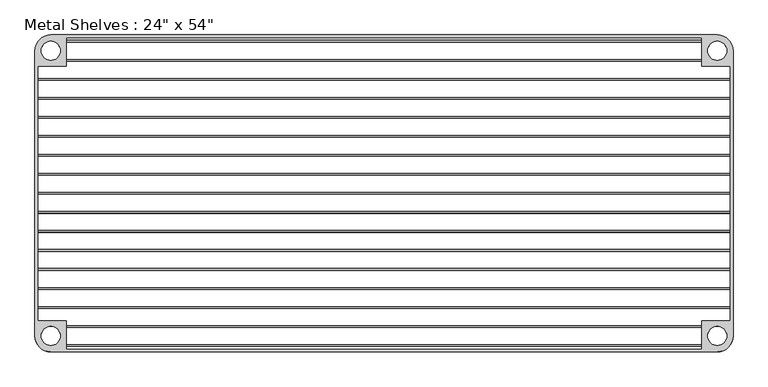
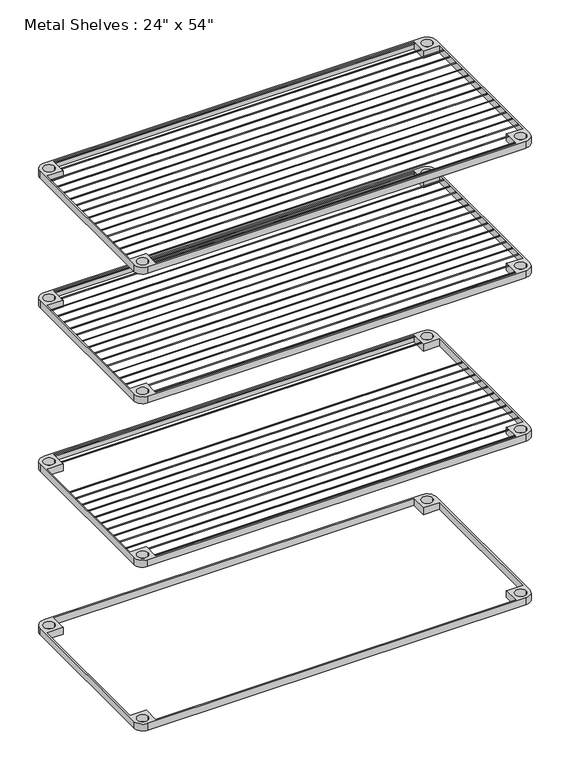
"""IFC4 building model written with IfcOpenShell, lengths in millimetres: proxy geometry."""

from ifc_helpers import new_model, si_unit, point, frame, frame_2d, origin, place, context, project, spatial, polyline, circle_curve, trimmed, segment, composite_curve, outline, extrude, source, transform, mapped, element, save


def proxy_7f03842f(model_context):
    return source(origin(), model_context, "Body", "SweptSolid", [
        extrude(outline(composite_curve([segment(trimmed(circle_curve(frame_2d((666.75, -285.75)), 31.75), [point((698.5, -285.75))], [point((666.75, -317.5))], False, "CARTESIAN"), True, "CONTINUOUS"), segment(polyline([(666.75, -317.5), (-666.75, -317.5)]), True, "CONTINUOUS"), segment(trimmed(circle_curve(frame_2d((-666.75, -285.75)), 31.75), [point((-666.75, -317.5))], [point((-698.5, -285.75))], False, "CARTESIAN"), True, "CONTINUOUS"), segment(polyline([(-698.5, -285.75), (-698.5, 285.75)]), True, "CONTINUOUS"), segment(trimmed(circle_curve(frame_2d((-666.75, 285.75)), 31.75), [point((-698.5, 285.75))], [point((-666.75, 317.5))], False, "CARTESIAN"), True, "CONTINUOUS"), segment(polyline([(-666.75, 317.5), (666.75, 317.5)]), True, "CONTINUOUS"), segment(trimmed(circle_curve(frame_2d((666.75, 285.75)), 31.75), [point((666.75, 317.5))], [point((698.5, 285.75))], False, "CARTESIAN"), True, "CONTINUOUS"), segment(polyline([(698.5, 285.75), (698.5, -285.75)]), True, "CONTINUOUS")], self_intersect=False), holes=[polyline([(-635.0, -311.15), (635.0, -311.15), (635.0, -254.0), (692.15, -254.0), (692.15, 254.0), (635.0, 254.0), (635.0, 311.15), (-635.0, 311.15), (-635.0, 254.0), (-692.15, 254.0), (-692.15, -254.0), (-635.0, -254.0), (-635.0, -311.15)]), composite_curve([segment(trimmed(circle_curve(frame_2d((666.75, -285.75)), 19.05), [point((647.7, -285.75))], [point((685.8, -285.75))], True, "CARTESIAN"), True, "CONTINUOUS"), segment(trimmed(circle_curve(frame_2d((666.75, -285.75)), 19.05), [point((685.8, -285.75))], [point((647.7, -285.75))], True, "CARTESIAN"), True, "CONTINUOUS")], self_intersect=False), composite_curve([segment(trimmed(circle_curve(frame_2d((666.75, 285.75)), 19.05), [point((647.7, 285.75))], [point((685.8, 285.75))], True, "CARTESIAN"), True, "CONTINUOUS"), segment(trimmed(circle_curve(frame_2d((666.75, 285.75)), 19.05), [point((685.8, 285.75))], [point((647.7, 285.75))], True, "CARTESIAN"), True, "CONTINUOUS")], self_intersect=False), composite_curve([segment(trimmed(circle_curve(frame_2d((-666.75, 285.75)), 19.05), [point((-647.7, 285.75))], [point((-685.8, 285.75))], True, "CARTESIAN"), True, "CONTINUOUS"), segment(trimmed(circle_curve(frame_2d((-666.75, 285.75)), 19.05), [point((-685.8, 285.75))], [point((-647.7, 285.75))], True, "CARTESIAN"), True, "CONTINUOUS")], self_intersect=False), composite_curve([segment(trimmed(circle_curve(frame_2d((-666.75, -285.75)), 19.05), [point((-647.7, -285.75))], [point((-685.8, -285.75))], True, "CARTESIAN"), True, "CONTINUOUS"), segment(trimmed(circle_curve(frame_2d((-666.75, -285.75)), 19.05), [point((-685.8, -285.75))], [point((-647.7, -285.75))], True, "CARTESIAN"), True, "CONTINUOUS")], self_intersect=False)]), frame((0.0, 0.0, 660.4), z_axis=(0.0, 0.0, 1.0), x_axis=(1.0, 0.0, 0.0)), (0.0, 0.0, 1.0), 25.4),
        extrude(outline(composite_curve([segment(trimmed(circle_curve(frame_2d((-666.75, -285.75)), 31.75), [point((-666.75, -317.5))], [point((-698.5, -285.75))], False, "CARTESIAN"), True, "CONTINUOUS"), segment(polyline([(-698.5, -285.75), (-698.5, 285.75)]), True, "CONTINUOUS"), segment(trimmed(circle_curve(frame_2d((-666.75, 285.75)), 31.75), [point((-698.5, 285.75))], [point((-666.75, 317.5))], False, "CARTESIAN"), True, "CONTINUOUS"), segment(polyline([(-666.75, 317.5), (666.75, 317.5)]), True, "CONTINUOUS"), segment(trimmed(circle_curve(frame_2d((666.75, 285.75)), 31.75), [point((666.75, 317.5))], [point((698.5, 285.75))], False, "CARTESIAN"), True, "CONTINUOUS"), segment(polyline([(698.5, 285.75), (698.5, -285.75)]), True, "CONTINUOUS"), segment(trimmed(circle_curve(frame_2d((666.75, -285.75)), 31.75), [point((698.5, -285.75))], [point((666.75, -317.5))], False, "CARTESIAN"), True, "CONTINUOUS"), segment(polyline([(666.75, -317.5), (-666.75, -317.5)]), True, "CONTINUOUS")], self_intersect=False), holes=[composite_curve([segment(trimmed(circle_curve(frame_2d((-666.75, -285.75)), 19.05), [point((-647.7, -285.75))], [point((-685.8, -285.75))], True, "CARTESIAN"), True, "CONTINUOUS"), segment(trimmed(circle_curve(frame_2d((-666.75, -285.75)), 19.05), [point((-685.8, -285.75))], [point((-647.7, -285.75))], True, "CARTESIAN"), True, "CONTINUOUS")], self_intersect=False), composite_curve([segment(trimmed(circle_curve(frame_2d((-666.75, 285.75)), 19.05), [point((-647.7, 285.75))], [point((-685.8, 285.75))], True, "CARTESIAN"), True, "CONTINUOUS"), segment(trimmed(circle_curve(frame_2d((-666.75, 285.75)), 19.05), [point((-685.8, 285.75))], [point((-647.7, 285.75))], True, "CARTESIAN"), True, "CONTINUOUS")], self_intersect=False), composite_curve([segment(trimmed(circle_curve(frame_2d((666.75, -285.75)), 19.05), [point((647.7, -285.75))], [point((685.8, -285.75))], True, "CARTESIAN"), True, "CONTINUOUS"), segment(trimmed(circle_curve(frame_2d((666.75, -285.75)), 19.05), [point((685.8, -285.75))], [point((647.7, -285.75))], True, "CARTESIAN"), True, "CONTINUOUS")], self_intersect=False), composite_curve([segment(trimmed(circle_curve(frame_2d((666.75, 285.75)), 19.05), [point((647.7, 285.75))], [point((685.8, 285.75))], True, "CARTESIAN"), True, "CONTINUOUS"), segment(trimmed(circle_curve(frame_2d((666.75, 285.75)), 19.05), [point((685.8, 285.75))], [point((647.7, 285.75))], True, "CARTESIAN"), True, "CONTINUOUS")], self_intersect=False), polyline([(-635.0, -311.15), (635.0, -311.15), (635.0, -254.0), (692.15, -254.0), (692.15, 254.0), (635.0, 254.0), (635.0, 311.15), (-635.0, 311.15), (-635.0, 254.0), (-692.15, 254.0), (-692.15, -254.0), (-635.0, -254.0), (-635.0, -311.15)])]), frame((0.0, 0.0, 50.8), z_axis=(0.0, 0.0, 1.0), x_axis=(1.0, 0.0, 0.0)), (0.0, 0.0, 1.0), 25.4),
        extrude(outline(composite_curve([segment(trimmed(circle_curve(frame_2d((-666.75, 285.75)), 31.75), [point((-698.5, 285.75))], [point((-666.75, 317.5))], False, "CARTESIAN"), True, "CONTINUOUS"), segment(polyline([(-666.75, 317.5), (666.75, 317.5)]), True, "CONTINUOUS"), segment(trimmed(circle_curve(frame_2d((666.75, 285.75)), 31.75), [point((666.75, 317.5))], [point((698.5, 285.75))], False, "CARTESIAN"), True, "CONTINUOUS"), segment(polyline([(698.5, 285.75), (698.5, -285.75)]), True, "CONTINUOUS"), segment(trimmed(circle_curve(frame_2d((666.75, -285.75)), 31.75), [point((698.5, -285.75))], [point((666.75, -317.5))], False, "CARTESIAN"), True, "CONTINUOUS"), segment(polyline([(666.75, -317.5), (-666.75, -317.5)]), True, "CONTINUOUS"), segment(trimmed(circle_curve(frame_2d((-666.75, -285.75)), 31.75), [point((-666.75, -317.5))], [point((-698.5, -285.75))], False, "CARTESIAN"), True, "CONTINUOUS"), segment(polyline([(-698.5, -285.75), (-698.5, 285.75)]), True, "CONTINUOUS")], self_intersect=False), holes=[composite_curve([segment(trimmed(circle_curve(frame_2d((-666.75, 285.75)), 19.05), [point((-647.7, 285.75))], [point((-685.8, 285.75))], True, "CARTESIAN"), True, "CONTINUOUS"), segment(trimmed(circle_curve(frame_2d((-666.75, 285.75)), 19.05), [point((-685.8, 285.75))], [point((-647.7, 285.75))], True, "CARTESIAN"), True, "CONTINUOUS")], self_intersect=False), composite_curve([segment(trimmed(circle_curve(frame_2d((-666.75, -285.75)), 19.05), [point((-647.7, -285.75))], [point((-685.8, -285.75))], True, "CARTESIAN"), True, "CONTINUOUS"), segment(trimmed(circle_curve(frame_2d((-666.75, -285.75)), 19.05), [point((-685.8, -285.75))], [point((-647.7, -285.75))], True, "CARTESIAN"), True, "CONTINUOUS")], self_intersect=False), composite_curve([segment(trimmed(circle_curve(frame_2d((666.75, -285.75)), 19.05), [point((647.7, -285.75))], [point((685.8, -285.75))], True, "CARTESIAN"), True, "CONTINUOUS"), segment(trimmed(circle_curve(frame_2d((666.75, -285.75)), 19.05), [point((685.8, -285.75))], [point((647.7, -285.75))], True, "CARTESIAN"), True, "CONTINUOUS")], self_intersect=False), polyline([(-635.0, -311.15), (635.0, -311.15), (635.0, -254.0), (692.15, -254.0), (692.15, 254.0), (635.0, 254.0), (635.0, 311.15), (-635.0, 311.15), (-635.0, 254.0), (-692.15, 254.0), (-692.15, -254.0), (-635.0, -254.0), (-635.0, -311.15)]), composite_curve([segment(trimmed(circle_curve(frame_2d((666.75, 285.75)), 19.05), [point((647.7, 285.75))], [point((685.8, 285.75))], True, "CARTESIAN"), True, "CONTINUOUS"), segment(trimmed(circle_curve(frame_2d((666.75, 285.75)), 19.05), [point((685.8, 285.75))], [point((647.7, 285.75))], True, "CARTESIAN"), True, "CONTINUOUS")], self_intersect=False)]), frame((0.0, 0.0, 1270.0), z_axis=(0.0, 0.0, 1.0), x_axis=(1.0, 0.0, 0.0)), (0.0, 0.0, 1.0), 25.4),
        extrude(outline(composite_curve([segment(trimmed(circle_curve(frame_2d((-666.75, -285.75)), 31.75), [point((-666.75, -317.5))], [point((-698.5, -285.75))], False, "CARTESIAN"), True, "CONTINUOUS"), segment(polyline([(-698.5, -285.75), (-698.5, 285.75)]), True, "CONTINUOUS"), segment(trimmed(circle_curve(frame_2d((-666.75, 285.75)), 31.75), [point((-698.5, 285.75))], [point((-666.75, 317.5))], False, "CARTESIAN"), True, "CONTINUOUS"), segment(polyline([(-666.75, 317.5), (666.75, 317.5)]), True, "CONTINUOUS"), segment(trimmed(circle_curve(frame_2d((666.75, 285.75)), 31.75), [point((666.75, 317.5))], [point((698.5, 285.75))], False, "CARTESIAN"), True, "CONTINUOUS"), segment(polyline([(698.5, 285.75), (698.5, -285.75)]), True, "CONTINUOUS"), segment(trimmed(circle_curve(frame_2d((666.75, -285.75)), 31.75), [point((698.5, -285.75))], [point((666.75, -317.5))], False, "CARTESIAN"), True, "CONTINUOUS"), segment(polyline([(666.75, -317.5), (-666.75, -317.5)]), True, "CONTINUOUS")], self_intersect=False), holes=[composite_curve([segment(trimmed(circle_curve(frame_2d((666.75, 285.75)), 19.05), [point((647.7, 285.75))], [point((685.8, 285.75))], True, "CARTESIAN"), True, "CONTINUOUS"), segment(trimmed(circle_curve(frame_2d((666.75, 285.75)), 19.05), [point((685.8, 285.75))], [point((647.7, 285.75))], True, "CARTESIAN"), True, "CONTINUOUS")], self_intersect=False), composite_curve([segment(trimmed(circle_curve(frame_2d((666.75, -285.75)), 19.05), [point((647.7, -285.75))], [point((685.8, -285.75))], True, "CARTESIAN"), True, "CONTINUOUS"), segment(trimmed(circle_curve(frame_2d((666.75, -285.75)), 19.05), [point((685.8, -285.75))], [point((647.7, -285.75))], True, "CARTESIAN"), True, "CONTINUOUS")], self_intersect=False), composite_curve([segment(trimmed(circle_curve(frame_2d((-666.75, 285.75)), 19.05), [point((-647.7, 285.75))], [point((-685.8, 285.75))], True, "CARTESIAN"), True, "CONTINUOUS"), segment(trimmed(circle_curve(frame_2d((-666.75, 285.75)), 19.05), [point((-685.8, 285.75))], [point((-647.7, 285.75))], True, "CARTESIAN"), True, "CONTINUOUS")], self_intersect=False), polyline([(692.15, -254.0), (692.15, 254.0), (635.0, 254.0), (635.0, 311.15), (-635.0, 311.15), (-635.0, 254.0), (-692.15, 254.0), (-692.15, -254.0), (-635.0, -254.0), (-635.0, -311.15), (635.0, -311.15), (635.0, -254.0), (692.15, -254.0)]), composite_curve([segment(trimmed(circle_curve(frame_2d((-666.75, -285.75)), 19.05), [point((-647.7, -285.75))], [point((-685.8, -285.75))], True, "CARTESIAN"), True, "CONTINUOUS"), segment(trimmed(circle_curve(frame_2d((-666.75, -285.75)), 19.05), [point((-685.8, -285.75))], [point((-647.7, -285.75))], True, "CARTESIAN"), True, "CONTINUOUS")], self_intersect=False)]), frame((0.0, 0.0, 1752.6), z_axis=(0.0, 0.0, 1.0), x_axis=(1.0, 0.0, 0.0)), (0.0, 0.0, 1.0), 25.4),
        extrude(outline(composite_curve([segment(trimmed(circle_curve(frame_2d((304.8, 1776.4125)), 1.5875), [point((303.2125, 1776.4125))], [point((306.3875, 1776.4125))], False, "CARTESIAN"), True, "CONTINUOUS"), segment(trimmed(circle_curve(frame_2d((304.8, 1776.4125)), 1.5875), [point((306.3875, 1776.4125))], [point((303.2125, 1776.4125))], False, "CARTESIAN"), True, "CONTINUOUS")], self_intersect=False)), frame((-635.0, 0.0, 0.0), z_axis=(1.0, 0.0, 0.0), x_axis=(0.0, 1.0, 0.0)), (0.0, 0.0, 1.0), 1270.0),
        extrude(outline(composite_curve([segment(trimmed(circle_curve(frame_2d((266.7, 1776.4125)), 1.5875), [point((265.1125, 1776.4125))], [point((268.2875, 1776.4125))], False, "CARTESIAN"), True, "CONTINUOUS"), segment(trimmed(circle_curve(frame_2d((266.7, 1776.4125)), 1.5875), [point((268.2875, 1776.4125))], [point((265.1125, 1776.4125))], False, "CARTESIAN"), True, "CONTINUOUS")], self_intersect=False)), frame((-635.0, 0.0, 0.0), z_axis=(1.0, 0.0, 0.0), x_axis=(0.0, 1.0, 0.0)), (0.0, 0.0, 1.0), 1270.0),
        extrude(outline(composite_curve([segment(trimmed(circle_curve(frame_2d((-304.8, 1776.4125)), 1.5875), [point((-306.3875, 1776.4125))], [point((-303.2125, 1776.4125))], False, "CARTESIAN"), True, "CONTINUOUS"), segment(trimmed(circle_curve(frame_2d((-304.8, 1776.4125)), 1.5875), [point((-303.2125, 1776.4125))], [point((-306.3875, 1776.4125))], False, "CARTESIAN"), True, "CONTINUOUS")], self_intersect=False)), frame((-635.0, 0.0, 0.0), z_axis=(1.0, 0.0, 0.0), x_axis=(0.0, 1.0, 0.0)), (0.0, 0.0, 1.0), 1270.0),
        extrude(outline(composite_curve([segment(trimmed(circle_curve(frame_2d((-266.7, 1776.4125)), 1.5875), [point((-268.2875, 1776.4125))], [point((-265.1125, 1776.4125))], False, "CARTESIAN"), True, "CONTINUOUS"), segment(trimmed(circle_curve(frame_2d((-266.7, 1776.4125)), 1.5875), [point((-265.1125, 1776.4125))], [point((-268.2875, 1776.4125))], False, "CARTESIAN"), True, "CONTINUOUS")], self_intersect=False)), frame((-635.0, 0.0, 0.0), z_axis=(1.0, 0.0, 0.0), x_axis=(0.0, 1.0, 0.0)), (0.0, 0.0, 1.0), 1270.0),
        extrude(outline(composite_curve([segment(trimmed(circle_curve(frame_2d((-228.6, 1776.4125)), 1.5875), [point((-230.1875, 1776.4125))], [point((-227.0125, 1776.4125))], False, "CARTESIAN"), True, "CONTINUOUS"), segment(trimmed(circle_curve(frame_2d((-228.6, 1776.4125)), 1.5875), [point((-227.0125, 1776.4125))], [point((-230.1875, 1776.4125))], False, "CARTESIAN"), True, "CONTINUOUS")], self_intersect=False)), frame((-692.15, 0.0, 0.0), z_axis=(1.0, 0.0, 0.0), x_axis=(0.0, 1.0, 0.0)), (0.0, 0.0, 1.0), 1384.3),
        extrude(outline(composite_curve([segment(trimmed(circle_curve(frame_2d((-190.5, 1776.4125)), 1.5875), [point((-192.0875, 1776.4125))], [point((-188.9125, 1776.4125))], False, "CARTESIAN"), True, "CONTINUOUS"), segment(trimmed(circle_curve(frame_2d((-190.5, 1776.4125)), 1.5875), [point((-188.9125, 1776.4125))], [point((-192.0875, 1776.4125))], False, "CARTESIAN"), True, "CONTINUOUS")], self_intersect=False)), frame((-692.15, 0.0, 0.0), z_axis=(1.0, 0.0, 0.0), x_axis=(0.0, 1.0, 0.0)), (0.0, 0.0, 1.0), 1384.3),
        extrude(outline(composite_curve([segment(trimmed(circle_curve(frame_2d((-152.4, 1776.4125)), 1.5875), [point((-153.9875, 1776.4125))], [point((-150.8125, 1776.4125))], False, "CARTESIAN"), True, "CONTINUOUS"), segment(trimmed(circle_curve(frame_2d((-152.4, 1776.4125)), 1.5875), [point((-150.8125, 1776.4125))], [point((-153.9875, 1776.4125))], False, "CARTESIAN"), True, "CONTINUOUS")], self_intersect=False)), frame((-692.15, 0.0, 0.0), z_axis=(1.0, 0.0, 0.0), x_axis=(0.0, 1.0, 0.0)), (0.0, 0.0, 1.0), 1384.3),
        extrude(outline(composite_curve([segment(trimmed(circle_curve(frame_2d((-114.3, 1776.4125)), 1.5875), [point((-115.8875, 1776.4125))], [point((-112.7125, 1776.4125))], False, "CARTESIAN"), True, "CONTINUOUS"), segment(trimmed(circle_curve(frame_2d((-114.3, 1776.4125)), 1.5875), [point((-112.7125, 1776.4125))], [point((-115.8875, 1776.4125))], False, "CARTESIAN"), True, "CONTINUOUS")], self_intersect=False)), frame((-692.15, 0.0, 0.0), z_axis=(1.0, 0.0, 0.0), x_axis=(0.0, 1.0, 0.0)), (0.0, 0.0, 1.0), 1384.3),
        extrude(outline(composite_curve([segment(trimmed(circle_curve(frame_2d((-76.2, 1776.4125)), 1.5875), [point((-77.7875, 1776.4125))], [point((-74.6125, 1776.4125))], False, "CARTESIAN"), True, "CONTINUOUS"), segment(trimmed(circle_curve(frame_2d((-76.2, 1776.4125)), 1.5875), [point((-74.6125, 1776.4125))], [point((-77.7875, 1776.4125))], False, "CARTESIAN"), True, "CONTINUOUS")], self_intersect=False)), frame((-692.15, 0.0, 0.0), z_axis=(1.0, 0.0, 0.0), x_axis=(0.0, 1.0, 0.0)), (0.0, 0.0, 1.0), 1384.3),
        extrude(outline(composite_curve([segment(trimmed(circle_curve(frame_2d((-38.1, 1776.4125)), 1.5875), [point((-39.6875, 1776.4125))], [point((-36.5125, 1776.4125))], False, "CARTESIAN"), True, "CONTINUOUS"), segment(trimmed(circle_curve(frame_2d((-38.1, 1776.4125)), 1.5875), [point((-36.5125, 1776.4125))], [point((-39.6875, 1776.4125))], False, "CARTESIAN"), True, "CONTINUOUS")], self_intersect=False)), frame((-692.15, 0.0, 0.0), z_axis=(1.0, 0.0, 0.0), x_axis=(0.0, 1.0, 0.0)), (0.0, 0.0, 1.0), 1384.3),
        extrude(outline(composite_curve([segment(trimmed(circle_curve(frame_2d((0.0, 1776.4125)), 1.5875), [point((-1.5875, 1776.4125))], [point((1.5875, 1776.4125))], False, "CARTESIAN"), True, "CONTINUOUS"), segment(trimmed(circle_curve(frame_2d((0.0, 1776.4125)), 1.5875), [point((1.5875, 1776.4125))], [point((-1.5875, 1776.4125))], False, "CARTESIAN"), True, "CONTINUOUS")], self_intersect=False)), frame((-692.15, 0.0, 0.0), z_axis=(1.0, 0.0, 0.0), x_axis=(0.0, 1.0, 0.0)), (0.0, 0.0, 1.0), 1384.3),
        extrude(outline(composite_curve([segment(trimmed(circle_curve(frame_2d((38.1, 1776.4125)), 1.5875), [point((36.5125, 1776.4125))], [point((39.6875, 1776.4125))], False, "CARTESIAN"), True, "CONTINUOUS"), segment(trimmed(circle_curve(frame_2d((38.1, 1776.4125)), 1.5875), [point((39.6875, 1776.4125))], [point((36.5125, 1776.4125))], False, "CARTESIAN"), True, "CONTINUOUS")], self_intersect=False)), frame((-692.15, 0.0, 0.0), z_axis=(1.0, 0.0, 0.0), x_axis=(0.0, 1.0, 0.0)), (0.0, 0.0, 1.0), 1384.3),
        extrude(outline(composite_curve([segment(trimmed(circle_curve(frame_2d((76.2, 1776.4125)), 1.5875), [point((74.6125, 1776.4125))], [point((77.7875, 1776.4125))], False, "CARTESIAN"), True, "CONTINUOUS"), segment(trimmed(circle_curve(frame_2d((76.2, 1776.4125)), 1.5875), [point((77.7875, 1776.4125))], [point((74.6125, 1776.4125))], False, "CARTESIAN"), True, "CONTINUOUS")], self_intersect=False)), frame((-692.15, 0.0, 0.0), z_axis=(1.0, 0.0, 0.0), x_axis=(0.0, 1.0, 0.0)), (0.0, 0.0, 1.0), 1384.3),
        extrude(outline(composite_curve([segment(trimmed(circle_curve(frame_2d((114.3, 1776.4125)), 1.5875), [point((112.7125, 1776.4125))], [point((115.8875, 1776.4125))], False, "CARTESIAN"), True, "CONTINUOUS"), segment(trimmed(circle_curve(frame_2d((114.3, 1776.4125)), 1.5875), [point((115.8875, 1776.4125))], [point((112.7125, 1776.4125))], False, "CARTESIAN"), True, "CONTINUOUS")], self_intersect=False)), frame((-692.15, 0.0, 0.0), z_axis=(1.0, 0.0, 0.0), x_axis=(0.0, 1.0, 0.0)), (0.0, 0.0, 1.0), 1384.3),
        extrude(outline(composite_curve([segment(trimmed(circle_curve(frame_2d((152.4, 1776.4125)), 1.5875), [point((150.8125, 1776.4125))], [point((153.9875, 1776.4125))], False, "CARTESIAN"), True, "CONTINUOUS"), segment(trimmed(circle_curve(frame_2d((152.4, 1776.4125)), 1.5875), [point((153.9875, 1776.4125))], [point((150.8125, 1776.4125))], False, "CARTESIAN"), True, "CONTINUOUS")], self_intersect=False)), frame((-692.15, 0.0, 0.0), z_axis=(1.0, 0.0, 0.0), x_axis=(0.0, 1.0, 0.0)), (0.0, 0.0, 1.0), 1384.3),
        extrude(outline(composite_curve([segment(trimmed(circle_curve(frame_2d((190.5, 1776.4125)), 1.5875), [point((188.9125, 1776.4125))], [point((192.0875, 1776.4125))], False, "CARTESIAN"), True, "CONTINUOUS"), segment(trimmed(circle_curve(frame_2d((190.5, 1776.4125)), 1.5875), [point((192.0875, 1776.4125))], [point((188.9125, 1776.4125))], False, "CARTESIAN"), True, "CONTINUOUS")], self_intersect=False)), frame((-692.15, 0.0, 0.0), z_axis=(1.0, 0.0, 0.0), x_axis=(0.0, 1.0, 0.0)), (0.0, 0.0, 1.0), 1384.3),
        extrude(outline(composite_curve([segment(trimmed(circle_curve(frame_2d((228.6, 1776.4125)), 1.5875), [point((227.0125, 1776.4125))], [point((230.1875, 1776.4125))], False, "CARTESIAN"), True, "CONTINUOUS"), segment(trimmed(circle_curve(frame_2d((228.6, 1776.4125)), 1.5875), [point((230.1875, 1776.4125))], [point((227.0125, 1776.4125))], False, "CARTESIAN"), True, "CONTINUOUS")], self_intersect=False)), frame((-692.15, 0.0, 0.0), z_axis=(1.0, 0.0, 0.0), x_axis=(0.0, 1.0, 0.0)), (0.0, 0.0, 1.0), 1384.3),
        extrude(outline(composite_curve([segment(trimmed(circle_curve(frame_2d((304.8, 1293.8125)), 1.5875), [point((303.2125, 1293.8125))], [point((306.3875, 1293.8125))], False, "CARTESIAN"), True, "CONTINUOUS"), segment(trimmed(circle_curve(frame_2d((304.8, 1293.8125)), 1.5875), [point((306.3875, 1293.8125))], [point((303.2125, 1293.8125))], False, "CARTESIAN"), True, "CONTINUOUS")], self_intersect=False)), frame((-635.0, 0.0, 0.0), z_axis=(1.0, 0.0, 0.0), x_axis=(0.0, 1.0, 0.0)), (0.0, 0.0, 1.0), 1270.0),
        extrude(outline(composite_curve([segment(trimmed(circle_curve(frame_2d((266.7, 1293.8125)), 1.5875), [point((265.1125, 1293.8125))], [point((268.2875, 1293.8125))], False, "CARTESIAN"), True, "CONTINUOUS"), segment(trimmed(circle_curve(frame_2d((266.7, 1293.8125)), 1.5875), [point((268.2875, 1293.8125))], [point((265.1125, 1293.8125))], False, "CARTESIAN"), True, "CONTINUOUS")], self_intersect=False)), frame((-635.0, 0.0, 0.0), z_axis=(1.0, 0.0, 0.0), x_axis=(0.0, 1.0, 0.0)), (0.0, 0.0, 1.0), 1270.0),
        extrude(outline(composite_curve([segment(trimmed(circle_curve(frame_2d((-304.8, 1293.8125)), 1.5875), [point((-306.3875, 1293.8125))], [point((-303.2125, 1293.8125))], False, "CARTESIAN"), True, "CONTINUOUS"), segment(trimmed(circle_curve(frame_2d((-304.8, 1293.8125)), 1.5875), [point((-303.2125, 1293.8125))], [point((-306.3875, 1293.8125))], False, "CARTESIAN"), True, "CONTINUOUS")], self_intersect=False)), frame((-635.0, 0.0, 0.0), z_axis=(1.0, 0.0, 0.0), x_axis=(0.0, 1.0, 0.0)), (0.0, 0.0, 1.0), 1270.0),
        extrude(outline(composite_curve([segment(trimmed(circle_curve(frame_2d((-266.7, 1293.8125)), 1.5875), [point((-268.2875, 1293.8125))], [point((-265.1125, 1293.8125))], False, "CARTESIAN"), True, "CONTINUOUS"), segment(trimmed(circle_curve(frame_2d((-266.7, 1293.8125)), 1.5875), [point((-265.1125, 1293.8125))], [point((-268.2875, 1293.8125))], False, "CARTESIAN"), True, "CONTINUOUS")], self_intersect=False)), frame((-635.0, 0.0, 0.0), z_axis=(1.0, 0.0, 0.0), x_axis=(0.0, 1.0, 0.0)), (0.0, 0.0, 1.0), 1270.0),
        extrude(outline(composite_curve([segment(trimmed(circle_curve(frame_2d((-228.6, 1293.8125)), 1.5875), [point((-230.1875, 1293.8125))], [point((-227.0125, 1293.8125))], False, "CARTESIAN"), True, "CONTINUOUS"), segment(trimmed(circle_curve(frame_2d((-228.6, 1293.8125)), 1.5875), [point((-227.0125, 1293.8125))], [point((-230.1875, 1293.8125))], False, "CARTESIAN"), True, "CONTINUOUS")], self_intersect=False)), frame((-692.15, 0.0, 0.0), z_axis=(1.0, 0.0, 0.0), x_axis=(0.0, 1.0, 0.0)), (0.0, 0.0, 1.0), 1384.3),
        extrude(outline(composite_curve([segment(trimmed(circle_curve(frame_2d((-190.5, 1293.8125)), 1.5875), [point((-192.0875, 1293.8125))], [point((-188.9125, 1293.8125))], False, "CARTESIAN"), True, "CONTINUOUS"), segment(trimmed(circle_curve(frame_2d((-190.5, 1293.8125)), 1.5875), [point((-188.9125, 1293.8125))], [point((-192.0875, 1293.8125))], False, "CARTESIAN"), True, "CONTINUOUS")], self_intersect=False)), frame((-692.15, 0.0, 0.0), z_axis=(1.0, 0.0, 0.0), x_axis=(0.0, 1.0, 0.0)), (0.0, 0.0, 1.0), 1384.3),
        extrude(outline(composite_curve([segment(trimmed(circle_curve(frame_2d((-152.4, 1293.8125)), 1.5875), [point((-153.9875, 1293.8125))], [point((-150.8125, 1293.8125))], False, "CARTESIAN"), True, "CONTINUOUS"), segment(trimmed(circle_curve(frame_2d((-152.4, 1293.8125)), 1.5875), [point((-150.8125, 1293.8125))], [point((-153.9875, 1293.8125))], False, "CARTESIAN"), True, "CONTINUOUS")], self_intersect=False)), frame((-692.15, 0.0, 0.0), z_axis=(1.0, 0.0, 0.0), x_axis=(0.0, 1.0, 0.0)), (0.0, 0.0, 1.0), 1384.3),
        extrude(outline(composite_curve([segment(trimmed(circle_curve(frame_2d((-114.3, 1293.8125)), 1.5875), [point((-115.8875, 1293.8125))], [point((-112.7125, 1293.8125))], False, "CARTESIAN"), True, "CONTINUOUS"), segment(trimmed(circle_curve(frame_2d((-114.3, 1293.8125)), 1.5875), [point((-112.7125, 1293.8125))], [point((-115.8875, 1293.8125))], False, "CARTESIAN"), True, "CONTINUOUS")], self_intersect=False)), frame((-692.15, 0.0, 0.0), z_axis=(1.0, 0.0, 0.0), x_axis=(0.0, 1.0, 0.0)), (0.0, 0.0, 1.0), 1384.3),
        extrude(outline(composite_curve([segment(trimmed(circle_curve(frame_2d((-76.2, 1293.8125)), 1.5875), [point((-77.7875, 1293.8125))], [point((-74.6125, 1293.8125))], False, "CARTESIAN"), True, "CONTINUOUS"), segment(trimmed(circle_curve(frame_2d((-76.2, 1293.8125)), 1.5875), [point((-74.6125, 1293.8125))], [point((-77.7875, 1293.8125))], False, "CARTESIAN"), True, "CONTINUOUS")], self_intersect=False)), frame((-692.15, 0.0, 0.0), z_axis=(1.0, 0.0, 0.0), x_axis=(0.0, 1.0, 0.0)), (0.0, 0.0, 1.0), 1384.3),
        extrude(outline(composite_curve([segment(trimmed(circle_curve(frame_2d((-38.1, 1293.8125)), 1.5875), [point((-39.6875, 1293.8125))], [point((-36.5125, 1293.8125))], False, "CARTESIAN"), True, "CONTINUOUS"), segment(trimmed(circle_curve(frame_2d((-38.1, 1293.8125)), 1.5875), [point((-36.5125, 1293.8125))], [point((-39.6875, 1293.8125))], False, "CARTESIAN"), True, "CONTINUOUS")], self_intersect=False)), frame((-692.15, 0.0, 0.0), z_axis=(1.0, 0.0, 0.0), x_axis=(0.0, 1.0, 0.0)), (0.0, 0.0, 1.0), 1384.3),
        extrude(outline(composite_curve([segment(trimmed(circle_curve(frame_2d((0.0, 1293.8125)), 1.5875), [point((-1.5875, 1293.8125))], [point((1.5875, 1293.8125))], False, "CARTESIAN"), True, "CONTINUOUS"), segment(trimmed(circle_curve(frame_2d((0.0, 1293.8125)), 1.5875), [point((1.5875, 1293.8125))], [point((-1.5875, 1293.8125))], False, "CARTESIAN"), True, "CONTINUOUS")], self_intersect=False)), frame((-692.15, 0.0, 0.0), z_axis=(1.0, 0.0, 0.0), x_axis=(0.0, 1.0, 0.0)), (0.0, 0.0, 1.0), 1384.3),
        extrude(outline(composite_curve([segment(trimmed(circle_curve(frame_2d((38.1, 1293.8125)), 1.5875), [point((36.5125, 1293.8125))], [point((39.6875, 1293.8125))], False, "CARTESIAN"), True, "CONTINUOUS"), segment(trimmed(circle_curve(frame_2d((38.1, 1293.8125)), 1.5875), [point((39.6875, 1293.8125))], [point((36.5125, 1293.8125))], False, "CARTESIAN"), True, "CONTINUOUS")], self_intersect=False)), frame((-692.15, 0.0, 0.0), z_axis=(1.0, 0.0, 0.0), x_axis=(0.0, 1.0, 0.0)), (0.0, 0.0, 1.0), 1384.3),
        extrude(outline(composite_curve([segment(trimmed(circle_curve(frame_2d((76.2, 1293.8125)), 1.5875), [point((74.6125, 1293.8125))], [point((77.7875, 1293.8125))], False, "CARTESIAN"), True, "CONTINUOUS"), segment(trimmed(circle_curve(frame_2d((76.2, 1293.8125)), 1.5875), [point((77.7875, 1293.8125))], [point((74.6125, 1293.8125))], False, "CARTESIAN"), True, "CONTINUOUS")], self_intersect=False)), frame((-692.15, 0.0, 0.0), z_axis=(1.0, 0.0, 0.0), x_axis=(0.0, 1.0, 0.0)), (0.0, 0.0, 1.0), 1384.3),
        extrude(outline(composite_curve([segment(trimmed(circle_curve(frame_2d((114.3, 1293.8125)), 1.5875), [point((112.7125, 1293.8125))], [point((115.8875, 1293.8125))], False, "CARTESIAN"), True, "CONTINUOUS"), segment(trimmed(circle_curve(frame_2d((114.3, 1293.8125)), 1.5875), [point((115.8875, 1293.8125))], [point((112.7125, 1293.8125))], False, "CARTESIAN"), True, "CONTINUOUS")], self_intersect=False)), frame((-692.15, 0.0, 0.0), z_axis=(1.0, 0.0, 0.0), x_axis=(0.0, 1.0, 0.0)), (0.0, 0.0, 1.0), 1384.3),
        extrude(outline(composite_curve([segment(trimmed(circle_curve(frame_2d((152.4, 1293.8125)), 1.5875), [point((150.8125, 1293.8125))], [point((153.9875, 1293.8125))], False, "CARTESIAN"), True, "CONTINUOUS"), segment(trimmed(circle_curve(frame_2d((152.4, 1293.8125)), 1.5875), [point((153.9875, 1293.8125))], [point((150.8125, 1293.8125))], False, "CARTESIAN"), True, "CONTINUOUS")], self_intersect=False)), frame((-692.15, 0.0, 0.0), z_axis=(1.0, 0.0, 0.0), x_axis=(0.0, 1.0, 0.0)), (0.0, 0.0, 1.0), 1384.3),
        extrude(outline(composite_curve([segment(trimmed(circle_curve(frame_2d((190.5, 1293.8125)), 1.5875), [point((188.9125, 1293.8125))], [point((192.0875, 1293.8125))], False, "CARTESIAN"), True, "CONTINUOUS"), segment(trimmed(circle_curve(frame_2d((190.5, 1293.8125)), 1.5875), [point((192.0875, 1293.8125))], [point((188.9125, 1293.8125))], False, "CARTESIAN"), True, "CONTINUOUS")], self_intersect=False)), frame((-692.15, 0.0, 0.0), z_axis=(1.0, 0.0, 0.0), x_axis=(0.0, 1.0, 0.0)), (0.0, 0.0, 1.0), 1384.3),
        extrude(outline(composite_curve([segment(trimmed(circle_curve(frame_2d((228.6, 1293.8125)), 1.5875), [point((227.0125, 1293.8125))], [point((230.1875, 1293.8125))], False, "CARTESIAN"), True, "CONTINUOUS"), segment(trimmed(circle_curve(frame_2d((228.6, 1293.8125)), 1.5875), [point((230.1875, 1293.8125))], [point((227.0125, 1293.8125))], False, "CARTESIAN"), True, "CONTINUOUS")], self_intersect=False)), frame((-692.15, 0.0, 0.0), z_axis=(1.0, 0.0, 0.0), x_axis=(0.0, 1.0, 0.0)), (0.0, 0.0, 1.0), 1384.3),
        extrude(outline(composite_curve([segment(trimmed(circle_curve(frame_2d((304.8, 684.2125)), 1.5875), [point((303.2125, 684.2125))], [point((306.3875, 684.2125))], False, "CARTESIAN"), True, "CONTINUOUS"), segment(trimmed(circle_curve(frame_2d((304.8, 684.2125)), 1.5875), [point((306.3875, 684.2125))], [point((303.2125, 684.2125))], False, "CARTESIAN"), True, "CONTINUOUS")], self_intersect=False)), frame((-635.0, 0.0, 0.0), z_axis=(1.0, 0.0, 0.0), x_axis=(0.0, 1.0, 0.0)), (0.0, 0.0, 1.0), 1270.0),
        extrude(outline(composite_curve([segment(trimmed(circle_curve(frame_2d((266.7, 684.2125)), 1.5875), [point((265.1125, 684.2125))], [point((268.2875, 684.2125))], False, "CARTESIAN"), True, "CONTINUOUS"), segment(trimmed(circle_curve(frame_2d((266.7, 684.2125)), 1.5875), [point((268.2875, 684.2125))], [point((265.1125, 684.2125))], False, "CARTESIAN"), True, "CONTINUOUS")], self_intersect=False)), frame((-635.0, 0.0, 0.0), z_axis=(1.0, 0.0, 0.0), x_axis=(0.0, 1.0, 0.0)), (0.0, 0.0, 1.0), 1270.0),
        extrude(outline(composite_curve([segment(trimmed(circle_curve(frame_2d((-304.8, 684.2125)), 1.5875), [point((-306.3875, 684.2125))], [point((-303.2125, 684.2125))], False, "CARTESIAN"), True, "CONTINUOUS"), segment(trimmed(circle_curve(frame_2d((-304.8, 684.2125)), 1.5875), [point((-303.2125, 684.2125))], [point((-306.3875, 684.2125))], False, "CARTESIAN"), True, "CONTINUOUS")], self_intersect=False)), frame((-635.0, 0.0, 0.0), z_axis=(1.0, 0.0, 0.0), x_axis=(0.0, 1.0, 0.0)), (0.0, 0.0, 1.0), 1270.0),
        extrude(outline(composite_curve([segment(trimmed(circle_curve(frame_2d((-266.7, 684.2125)), 1.5875), [point((-268.2875, 684.2125))], [point((-265.1125, 684.2125))], False, "CARTESIAN"), True, "CONTINUOUS"), segment(trimmed(circle_curve(frame_2d((-266.7, 684.2125)), 1.5875), [point((-265.1125, 684.2125))], [point((-268.2875, 684.2125))], False, "CARTESIAN"), True, "CONTINUOUS")], self_intersect=False)), frame((-635.0, 0.0, 0.0), z_axis=(1.0, 0.0, 0.0), x_axis=(0.0, 1.0, 0.0)), (0.0, 0.0, 1.0), 1270.0),
        extrude(outline(composite_curve([segment(trimmed(circle_curve(frame_2d((-228.6, 684.2125)), 1.5875), [point((-230.1875, 684.2125))], [point((-227.0125, 684.2125))], False, "CARTESIAN"), True, "CONTINUOUS"), segment(trimmed(circle_curve(frame_2d((-228.6, 684.2125)), 1.5875), [point((-227.0125, 684.2125))], [point((-230.1875, 684.2125))], False, "CARTESIAN"), True, "CONTINUOUS")], self_intersect=False)), frame((-692.15, 0.0, 0.0), z_axis=(1.0, 0.0, 0.0), x_axis=(0.0, 1.0, 0.0)), (0.0, 0.0, 1.0), 1384.3),
        extrude(outline(composite_curve([segment(trimmed(circle_curve(frame_2d((-190.5, 684.2125)), 1.5875), [point((-192.0875, 684.2125))], [point((-188.9125, 684.2125))], False, "CARTESIAN"), True, "CONTINUOUS"), segment(trimmed(circle_curve(frame_2d((-190.5, 684.2125)), 1.5875), [point((-188.9125, 684.2125))], [point((-192.0875, 684.2125))], False, "CARTESIAN"), True, "CONTINUOUS")], self_intersect=False)), frame((-692.15, 0.0, 0.0), z_axis=(1.0, 0.0, 0.0), x_axis=(0.0, 1.0, 0.0)), (0.0, 0.0, 1.0), 1384.3),
        extrude(outline(composite_curve([segment(trimmed(circle_curve(frame_2d((-152.4, 684.2125)), 1.5875), [point((-153.9875, 684.2125))], [point((-150.8125, 684.2125))], False, "CARTESIAN"), True, "CONTINUOUS"), segment(trimmed(circle_curve(frame_2d((-152.4, 684.2125)), 1.5875), [point((-150.8125, 684.2125))], [point((-153.9875, 684.2125))], False, "CARTESIAN"), True, "CONTINUOUS")], self_intersect=False)), frame((-692.15, 0.0, 0.0), z_axis=(1.0, 0.0, 0.0), x_axis=(0.0, 1.0, 0.0)), (0.0, 0.0, 1.0), 1384.3),
        extrude(outline(composite_curve([segment(trimmed(circle_curve(frame_2d((-114.3, 684.2125)), 1.5875), [point((-115.8875, 684.2125))], [point((-112.7125, 684.2125))], False, "CARTESIAN"), True, "CONTINUOUS"), segment(trimmed(circle_curve(frame_2d((-114.3, 684.2125)), 1.5875), [point((-112.7125, 684.2125))], [point((-115.8875, 684.2125))], False, "CARTESIAN"), True, "CONTINUOUS")], self_intersect=False)), frame((-692.15, 0.0, 0.0), z_axis=(1.0, 0.0, 0.0), x_axis=(0.0, 1.0, 0.0)), (0.0, 0.0, 1.0), 1384.3),
        extrude(outline(composite_curve([segment(trimmed(circle_curve(frame_2d((-76.2, 684.2125)), 1.5875), [point((-77.7875, 684.2125))], [point((-74.6125, 684.2125))], False, "CARTESIAN"), True, "CONTINUOUS"), segment(trimmed(circle_curve(frame_2d((-76.2, 684.2125)), 1.5875), [point((-74.6125, 684.2125))], [point((-77.7875, 684.2125))], False, "CARTESIAN"), True, "CONTINUOUS")], self_intersect=False)), frame((-692.15, 0.0, 0.0), z_axis=(1.0, 0.0, 0.0), x_axis=(0.0, 1.0, 0.0)), (0.0, 0.0, 1.0), 1384.3),
        extrude(outline(composite_curve([segment(trimmed(circle_curve(frame_2d((-38.1, 684.2125)), 1.5875), [point((-39.6875, 684.2125))], [point((-36.5125, 684.2125))], False, "CARTESIAN"), True, "CONTINUOUS"), segment(trimmed(circle_curve(frame_2d((-38.1, 684.2125)), 1.5875), [point((-36.5125, 684.2125))], [point((-39.6875, 684.2125))], False, "CARTESIAN"), True, "CONTINUOUS")], self_intersect=False)), frame((-692.15, 0.0, 0.0), z_axis=(1.0, 0.0, 0.0), x_axis=(0.0, 1.0, 0.0)), (0.0, 0.0, 1.0), 1384.3),
        extrude(outline(composite_curve([segment(trimmed(circle_curve(frame_2d((0.0, 684.2125)), 1.5875), [point((-1.5875, 684.2125))], [point((1.5875, 684.2125))], False, "CARTESIAN"), True, "CONTINUOUS"), segment(trimmed(circle_curve(frame_2d((0.0, 684.2125)), 1.5875), [point((1.5875, 684.2125))], [point((-1.5875, 684.2125))], False, "CARTESIAN"), True, "CONTINUOUS")], self_intersect=False)), frame((-692.15, 0.0, 0.0), z_axis=(1.0, 0.0, 0.0), x_axis=(0.0, 1.0, 0.0)), (0.0, 0.0, 1.0), 1384.3),
        extrude(outline(composite_curve([segment(trimmed(circle_curve(frame_2d((38.1, 684.2125)), 1.5875), [point((36.5125, 684.2125))], [point((39.6875, 684.2125))], False, "CARTESIAN"), True, "CONTINUOUS"), segment(trimmed(circle_curve(frame_2d((38.1, 684.2125)), 1.5875), [point((39.6875, 684.2125))], [point((36.5125, 684.2125))], False, "CARTESIAN"), True, "CONTINUOUS")], self_intersect=False)), frame((-692.15, 0.0, 0.0), z_axis=(1.0, 0.0, 0.0), x_axis=(0.0, 1.0, 0.0)), (0.0, 0.0, 1.0), 1384.3),
        extrude(outline(composite_curve([segment(trimmed(circle_curve(frame_2d((76.2, 684.2125)), 1.5875), [point((74.6125, 684.2125))], [point((77.7875, 684.2125))], False, "CARTESIAN"), True, "CONTINUOUS"), segment(trimmed(circle_curve(frame_2d((76.2, 684.2125)), 1.5875), [point((77.7875, 684.2125))], [point((74.6125, 684.2125))], False, "CARTESIAN"), True, "CONTINUOUS")], self_intersect=False)), frame((-692.15, 0.0, 0.0), z_axis=(1.0, 0.0, 0.0), x_axis=(0.0, 1.0, 0.0)), (0.0, 0.0, 1.0), 1384.3),
        extrude(outline(composite_curve([segment(trimmed(circle_curve(frame_2d((114.3, 684.2125)), 1.5875), [point((112.7125, 684.2125))], [point((115.8875, 684.2125))], False, "CARTESIAN"), True, "CONTINUOUS"), segment(trimmed(circle_curve(frame_2d((114.3, 684.2125)), 1.5875), [point((115.8875, 684.2125))], [point((112.7125, 684.2125))], False, "CARTESIAN"), True, "CONTINUOUS")], self_intersect=False)), frame((-692.15, 0.0, 0.0), z_axis=(1.0, 0.0, 0.0), x_axis=(0.0, 1.0, 0.0)), (0.0, 0.0, 1.0), 1384.3),
    ])


if __name__ == "__main__":
    model = new_model("IFC4")
    model_context = context("Model", 3, world=origin())
    ifc_project = project(units=[si_unit("LENGTHUNIT", "METRE", prefix="MILLI")], contexts=[model_context])
    site = spatial("IfcSite", under=ifc_project)
    building = spatial("IfcBuilding", under=site)
    placement = place(None, origin())
    proxy_shape = proxy_7f03842f(model_context)
    element("IfcBuildingElementProxy", 1, Name="Metal Shelves : 24\" x 54\"", ObjectType="Metal Shelves : 24\" x 54\"", at=placement, inside=building, context=model_context, shape_type="MappedRepresentation", body=[
        mapped(proxy_shape, transform((0.0, 0.0, 0.0), x_axis=(1.0, 0.0, 0.0), y_axis=(0.0, 1.0, 0.0), z_axis=(0.0, 0.0, 1.0))),
    ])
    save(model, "model.ifc")
